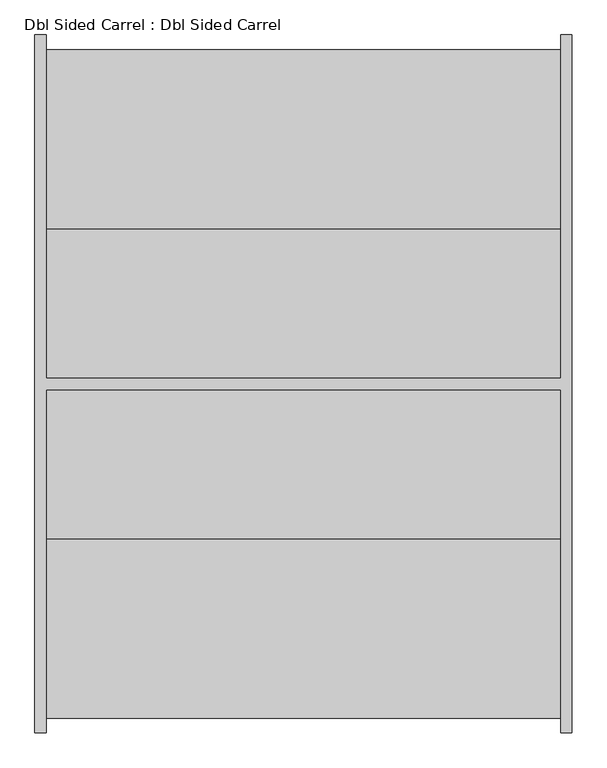
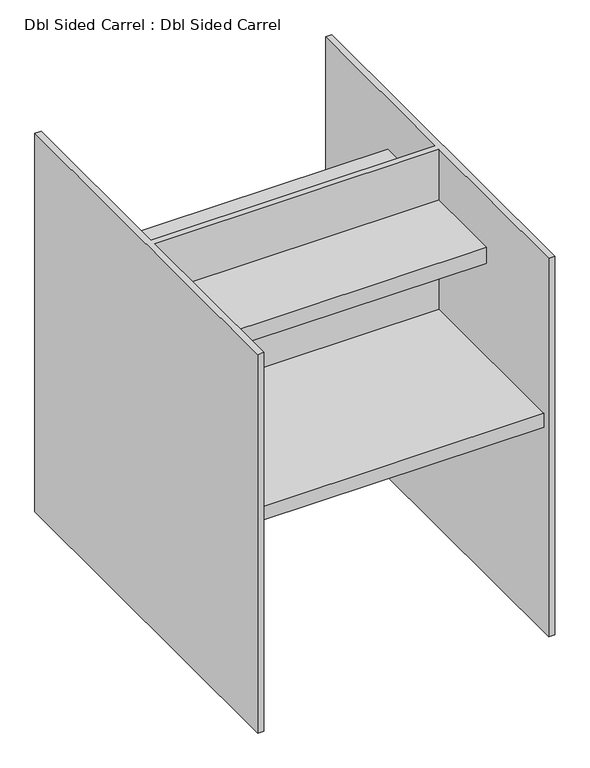
"""IFC4 building model written with IfcOpenShell, lengths in millimetres: proxy geometry, Dbl Sided Carrel : Dbl Sided Carrel."""

from ifc_helpers import new_model, si_unit, frame, origin, place, context, project, spatial, polyline, outline, extrude, faceted_brep, source, transform, mapped, element, save


def dbl_sided_carrel_dbl_sided_carrel_e61b998f(model_context):
    return source(origin(), model_context, "Body", "SolidModel", [
        extrude(outline(polyline([(263.525, 1066.8), (263.525, 1016.0), (250.825, 1016.0), (250.825, 1054.1), (9.525, 1054.1), (9.525, 1066.8), (263.525, 1066.8)])), frame((-438.15, 0.0, 0.0), z_axis=(1.0, 0.0, 0.0), x_axis=(0.0, 1.0, 0.0)), (0.0, 0.0, 1.0), 876.3),
        extrude(outline(polyline([(-263.525, 1066.8), (-8.5993071, 1066.8), (-8.5993071, 1054.1), (-250.825, 1054.1), (-250.825, 1016.0), (-263.525, 1016.0), (-263.525, 1066.8)])), frame((-438.15, 0.0, 0.0), z_axis=(1.0, 0.0, 0.0), x_axis=(0.0, 1.0, 0.0)), (0.0, 0.0, 1.0), 876.3),
        extrude(outline(polyline([(-9.525, 685.8), (-542.925, 685.8), (-542.925, 666.75), (-568.325, 666.75), (-568.325, 711.2), (-9.525, 711.2), (-9.525, 685.8)])), frame((-438.15, 0.0, 0.0), z_axis=(1.0, 0.0, 0.0), x_axis=(0.0, 1.0, 0.0)), (0.0, 0.0, 1.0), 876.3),
        extrude(outline(polyline([(9.525, 685.8), (9.525, 711.2), (568.325, 711.2), (568.325, 666.75), (542.925, 666.75), (542.925, 685.8), (9.525, 685.8)])), frame((-438.15, 0.0, 0.0), z_axis=(1.0, 0.0, 0.0), x_axis=(0.0, 1.0, 0.0)), (0.0, 0.0, 1.0), 876.3),
        faceted_brep([(-457.2, -593.725, 1231.9), (-438.15, -593.725, 1231.9), (-438.15, -9.525, 1231.9), (438.15, -9.525, 1231.9), (438.15, -593.725, 1231.9), (457.2, -593.725, 1231.9), (457.2, 593.725, 1231.9), (438.15, 593.725, 1231.9), (438.15, 9.525, 1231.9), (-438.15, 9.525, 1231.9), (-438.15, 593.725, 1231.9), (-457.2, 593.725, 1231.9), (-457.2, -593.725, 0.0), (-457.2, 593.725, 0.0), (-438.15, 593.725, 0.0), (-438.15, -593.725, 0.0), (438.15, -593.725, 0.0), (438.15, 593.725, 0.0), (457.2, 593.725, 0.0), (457.2, -593.725, 0.0), (-438.15, 9.525, 381.0), (-438.15, -9.525, 381.0), (438.15, -9.525, 381.0), (438.15, 9.525, 381.0)], [[[0, 1, 2, 3, 4, 5, 6, 7, 8, 9, 10, 11]], [[12, 13, 14, 15]], [[16, 17, 18, 19]], [[1, 0, 12, 15]], [[2, 1, 15, 14, 10, 9, 20, 21]], [[3, 2, 21, 22]], [[4, 3, 22, 23, 8, 7, 17, 16]], [[5, 4, 16, 19]], [[6, 5, 19, 18]], [[7, 6, 18, 17]], [[9, 8, 23, 20]], [[11, 10, 14, 13]], [[0, 11, 13, 12]], [[23, 22, 21, 20]]]),
    ])


if __name__ == "__main__":
    model = new_model("IFC4")
    model_context = context("Model", 3, world=origin())
    ifc_project = project(units=[si_unit("LENGTHUNIT", "METRE", prefix="MILLI")], contexts=[model_context])
    site = spatial("IfcSite", under=ifc_project)
    building = spatial("IfcBuilding", under=site)
    placement = place(None, origin())
    dbl_sided_carrel_dbl_sided_carrel_shape = dbl_sided_carrel_dbl_sided_carrel_e61b998f(model_context)
    element("IfcBuildingElementProxy", 1, Name="Dbl Sided Carrel : Dbl Sided Carrel", ObjectType="Dbl Sided Carrel : Dbl Sided Carrel", at=placement, inside=building, context=model_context, shape_type="MappedRepresentation", body=[
        mapped(dbl_sided_carrel_dbl_sided_carrel_shape, transform((0.0, 0.0, 0.0), x_axis=(1.0, 0.0, 0.0), y_axis=(0.0, 1.0, 0.0), z_axis=(0.0, 0.0, 1.0))),
    ])
    save(model, "model.ifc")
